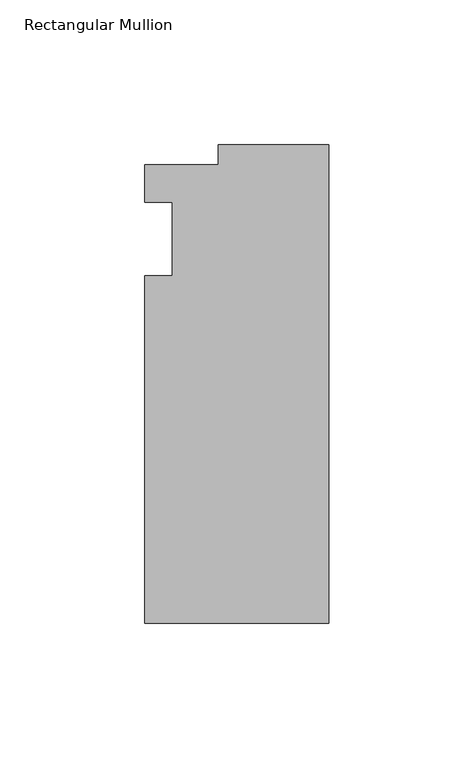
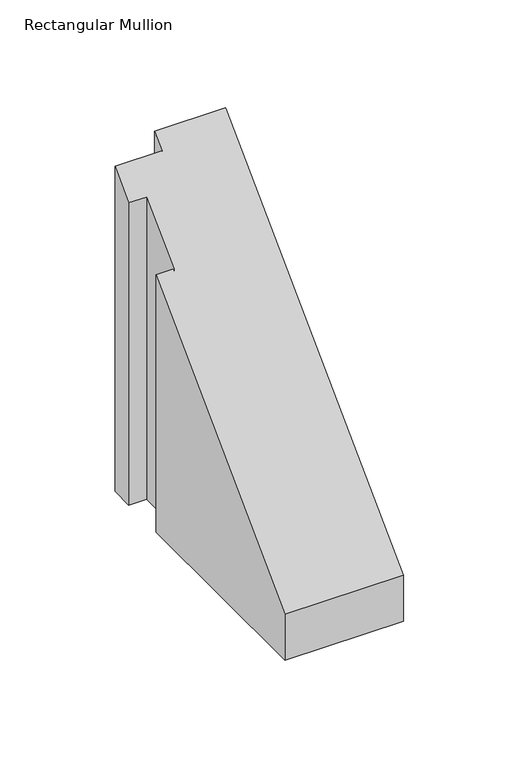
"""IFC4 building model written with IfcOpenShell, lengths in millimetres: member geometry, Rectangular Mullion."""

from ifc_helpers import new_model, si_unit, origin, place, context, project, spatial, faceted_brep, source, transform, mapped, element, save


def rectangular_mullion_b4f01b3e(model_context):
    return source(origin(), model_context, "Body", "Brep", [
        faceted_brep([(-38.1, 32.54375, -158.75), (0.0, 32.54375, -158.75), (0.0, -132.55625, -158.75), (-63.5, -132.55625, -158.75), (-63.5, -12.7, -158.75), (-53.975, -12.7, -158.75), (-53.975, 12.7, -158.75), (-63.5, 12.7, -158.75), (-63.5, 25.58415, -158.75), (-38.1, 25.58415, -158.75), (-63.5, 12.7, 12.7), (-63.5, 25.58415, 25.58415), (-53.975, 12.7, 12.7), (-53.975, -12.7, -12.7), (-63.5, -12.7, -12.7), (-63.5, -132.55625, -132.55625), (0.0, -132.55625, -132.55625), (0.0, 32.54375, 32.54375), (-38.1, 32.54375, 32.54375), (-38.1, 25.58415, 25.58415)], [[[0, 1, 2, 3, 4, 5, 6, 7, 8, 9]], [[10, 11, 8, 7]], [[12, 10, 7, 6]], [[13, 12, 6, 5]], [[14, 13, 5, 4]], [[15, 14, 4, 3]], [[16, 15, 3, 2]], [[17, 16, 2, 1]], [[18, 17, 1, 0]], [[19, 18, 0, 9]], [[11, 19, 9, 8]], [[18, 19, 11, 10, 12, 13, 14, 15, 16, 17]]]),
    ])


if __name__ == "__main__":
    model = new_model("IFC4")
    model_context = context("Model", 3, world=origin())
    ifc_project = project(units=[si_unit("LENGTHUNIT", "METRE", prefix="MILLI")], contexts=[model_context])
    site = spatial("IfcSite", under=ifc_project)
    building = spatial("IfcBuilding", under=site)
    placement = place(None, origin())
    rectangular_mullion_shape = rectangular_mullion_b4f01b3e(model_context)
    element("IfcMember", 1, ObjectType="Rectangular Mullion", at=placement, inside=building, context=model_context, shape_type="MappedRepresentation", body=[
        mapped(rectangular_mullion_shape, transform((0.0, 0.0, 0.0), x_axis=(1.0, 0.0, 0.0), y_axis=(0.0, 1.0, 0.0), z_axis=(0.0, 0.0, 1.0))),
    ])
    save(model, "model.ifc")
